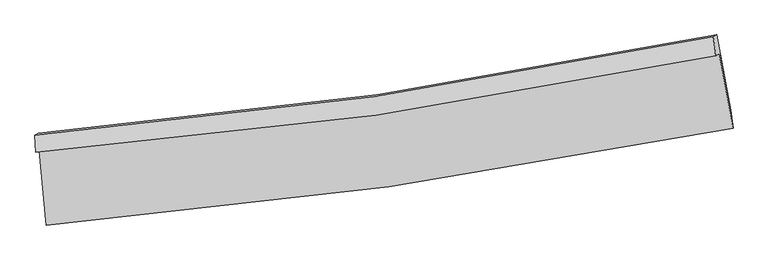
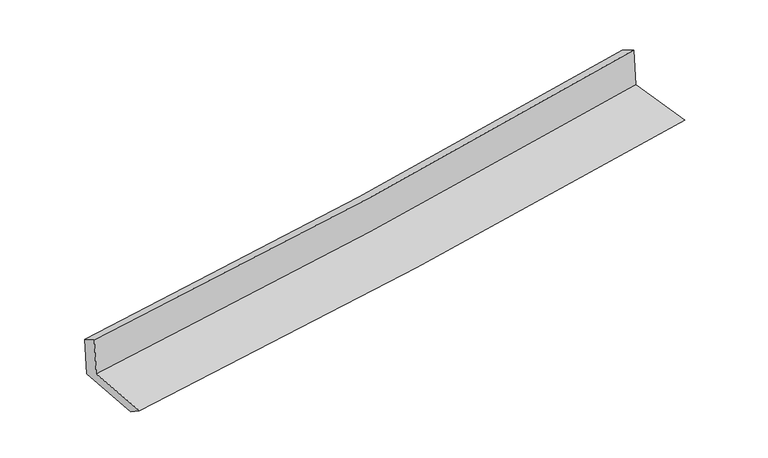
"""IFC4 building model written with IfcOpenShell, lengths in millimetres: proxy geometry."""

from ifc_helpers import new_model, si_unit, frame, origin, place, context, project, spatial, source, transform, mapped, element, save
from ifc_brep_helpers import plane_surface, spline_curve, spline_surface, advanced_brep


def generic_models_83be1019(model_context):
    return source(origin(), model_context, "Body", "AdvancedBrep", [
        advanced_brep(
        [(-3023.9532613, -1901.680936, 1625.7392357), (-2962.2346025, -2559.8104539, 1604.6475111), (3106.3284437, -1704.2024435, 2106.4937008), (2984.7858695, -1046.8653369, 2133.0251341), (-3054.0980257, -1918.6473165, 2016.4457243), (2954.2722144, -1064.0393402, 2528.5128181), (-3061.0387055, -1766.4015185, 1930.8748238), (2932.2085146, -897.1893196, 2431.9117552), (-3030.6777931, -1749.3134834, 1537.3668397), (2961.9906065, -880.427062, 2045.905866), (-2967.2541478, -2417.189642, 1506.2115682), (3085.5965263, -1545.4544609, 2011.5212466)],
        [
            (0, 1),
            (1, 2, spline_curve(3, [(-2962.2346025, -2559.8104539, 1604.6475111), (-1949.861663632, -2476.577234437, 1710.252188302), (-940.309303637, -2364.129850654, 1804.7319834), (1082.598212, -2079.477856155, 1972.223746493), (2095.900200816, -1906.722569429, 2045.026014442), (3106.3284437, -1704.2024435, 2106.4937008)], [4, 2, 4], [0.0, 9.997456366082076, 20.08869690928052])),
            (2, 3),
            (3, 0, spline_curve(3, [(2984.7858695, -1046.8653369, 2133.0251341), (1985.286487217, -1246.85172018, 2067.481274449), (982.455400874, -1418.279397118, 1992.192883125), (-1020.519282035, -1702.68956924, 1822.917301334), (-2020.601239591, -1816.200424978, 1729.110393172), (-3023.9532613, -1901.680936, 1625.7392357)], [4, 2, 4], [0.0, 10.091240543198445, 20.08869690928052])),
            (4, 0),
            (3, 5),
            (5, 4, spline_curve(3, [(2954.2722144, -1064.0393402, 2528.5128181), (1955.924622632, -1273.01248224, 2463.589565521), (953.697771532, -1448.895097629, 2388.207867401), (-1049.164078056, -1733.152219246, 2217.325345864), (-2049.727307322, -1842.138929373, 2122.018012836), (-3054.0980257, -1918.6473165, 2016.4457243)], [4, 2, 4], [0.0, 10.042500745941853, 19.991670284029038])),
            (6, 4),
            (5, 7),
            (7, 6, spline_curve(3, [(2932.2085146, -897.1893196, 2431.9117552), (1936.06086615, -1104.992387683, 2372.36627959), (936.200897578, -1281.521105328, 2300.5886994), (-1061.616856685, -1570.679902451, 2133.350084071), (-2059.505961875, -1683.888584004, 2038.115353762), (-3061.0387055, -1766.4015185, 1930.8748238)], [4, 2, 4], [0.0, 10.031693847233765, 19.970156921846588])),
            (8, 6),
            (7, 9),
            (9, 8, spline_curve(3, [(2961.9906065, -880.427062, 2045.905866), (1967.412091324, -1087.346974547, 1966.022841299), (968.381713371, -1263.408774113, 1883.492933906), (-1029.256782945, -1552.466678883, 1713.930955796), (-2027.782538486, -1666.03368671, 1626.947854025), (-3030.6777931, -1749.3134834, 1537.3668397)], [4, 2, 4], [0.0, 10.019699859743676, 19.94628041445479])),
            (10, 8),
            (9, 11),
            (11, 10, spline_curve(3, [(3085.5965263, -1545.4544609, 2011.5212466), (2078.083861716, -1743.316837078, 1939.757567279), (1067.554475198, -1915.110629331, 1861.540010793), (-950.11822838, -2205.206731436, 1692.984049315), (-1957.205732957, -2323.991332887, 1602.765045803), (-2967.2541478, -2417.189642, 1506.2115682)], [4, 2, 4], [0.0, 10.068541889921764, 20.043510555435113])),
            (1, 10),
            (11, 2),
        ],
        [
            spline_surface(3, 3, [[(-3023.9532613, -1901.680936, 1625.7392357), (-2020.601239504, -1816.200425098, 1729.110393133), (-1020.519282099, -1702.689569205, 1822.917301329), (982.455400938, -1418.279397154, 1992.19288313), (1985.286487116, -1246.851720033, 2067.481274414), (2984.7858695, -1046.8653369, 2133.0251341)], [(-3003.380375014, -2121.057441947, 1618.708660833), (-1997.021380838, -2036.326028154, 1722.824324828), (-993.78262258, -1923.169663015, 1816.855528709), (1015.836337952, -1638.678883448, 1985.536504205), (2022.157724979, -1466.808669882, 2059.996187728), (3025.300060894, -1265.977705775, 2124.181323006)], [(-2982.807488786, -2340.433947953, 1611.678085967), (-1973.44152223, -2256.45163127, 1716.538256525), (-967.045963099, -2143.649756893, 1810.793756123), (1049.217274929, -1859.07836981, 1978.880125314), (2059.02896286, -1686.765619707, 2052.511101025), (3065.814252306, -1485.090074625, 2115.337511894)], [(-2962.2346025, -2559.8104539, 1604.6475111), (-1949.861663564, -2476.577234326, 1710.252188219), (-940.30930358, -2364.129850704, 1804.731983503), (1082.598211942, -2079.477856105, 1972.223746389), (2095.900200723, -1906.722569557, 2045.026014339), (3106.3284437, -1704.2024435, 2106.4937008)]], [4, 4], [4, 2, 4], [0.0, 2.190693607509741], [0.0, 9.997456366082076, 20.08869690928052]),
            spline_surface(3, 3, [[(-3054.0980257, -1918.6473165, 2016.4457243), (-2049.727307243, -1842.138929371, 2122.018012686), (-1049.164078114, -1733.152219341, 2217.32534581), (953.69777159, -1448.895097533, 2388.207867455), (1955.924622509, -1273.012482138, 2463.589565589), (2954.2722144, -1064.0393402, 2528.5128181)], [(-3044.049770923, -1912.991856335, 1886.210228109), (-2040.018618019, -1833.492761281, 1991.048806177), (-1039.615812786, -1722.998002646, 2085.855997656), (963.283648029, -1438.68986409, 2256.202872686), (1965.711910705, -1264.2922281, 2331.553468529), (2964.443432761, -1058.31467243, 2396.683590098)], [(-3034.001516077, -1907.336396165, 1755.974731891), (-2030.309928728, -1824.846593187, 1860.079599642), (-1030.067547427, -1712.8437859, 1954.386649483), (972.869524499, -1428.484630596, 2124.197877899), (1975.49919892, -1255.571974072, 2199.517371475), (2974.614651139, -1052.59000467, 2264.854362102)], [(-3023.9532613, -1901.680936, 1625.7392357), (-2020.601239504, -1816.200425098, 1729.110393133), (-1020.519282099, -1702.689569205, 1822.917301329), (982.455400938, -1418.279397154, 1992.19288313), (1985.286487116, -1246.851720033, 2067.481274414), (2984.7858695, -1046.8653369, 2133.0251341)]], [4, 4], [4, 2, 4], [0.0, 1.3039202485088106], [0.0, 9.949169538087185, 19.991670284029038]),
            spline_surface(3, 3, [[(-3061.0387055, -1766.4015185, 1930.8748238), (-2059.505961875, -1683.888584003, 2038.115353916), (-1061.616856805, -1570.679902323, 2133.35008419), (936.200897699, -1281.521105458, 2300.588699281), (1936.060866033, -1104.992387519, 2372.366279447), (2932.2085146, -897.1893196, 2431.9117552)], [(-3058.725145572, -1817.150117842, 1959.398457301), (-2056.246410336, -1736.638699134, 2066.08290684), (-1057.46593056, -1624.837341312, 2161.341838072), (942.033189011, -1337.312436133, 2329.795088681), (1942.682118198, -1160.999085736, 2402.774041486), (2939.563081206, -952.805993144, 2464.112109492)], [(-3056.411585628, -1867.898717158, 1987.922090799), (-2052.986858782, -1789.38881424, 2094.050459762), (-1053.315004359, -1678.994780352, 2189.333591928), (947.865480278, -1393.103766858, 2359.001478055), (1949.303370345, -1217.005783921, 2433.18180355), (2946.917647794, -1008.422666656, 2496.312463808)], [(-3054.0980257, -1918.6473165, 2016.4457243), (-2049.727307243, -1842.138929371, 2122.018012686), (-1049.164078114, -1733.152219341, 2217.32534581), (953.69777159, -1448.895097533, 2388.207867455), (1955.924622509, -1273.012482138, 2463.589565589), (2954.2722144, -1064.0393402, 2528.5128181)]], [4, 4], [4, 2, 4], [0.0, 0.6119994067108001], [0.0, 9.938463074612823, 19.970156921846588]),
            spline_surface(3, 3, [[(-3030.6777931, -1749.3134834, 1537.3668397), (-2027.782538342, -1666.033686636, 1626.947854077), (-1029.25678307, -1552.466679049, 1713.93095566), (968.381713498, -1263.408773946, 1883.492934043), (1967.412091386, -1087.346974393, 1966.022841266), (2961.9906065, -880.427062, 2045.905866)], [(-3040.798097206, -1755.009495095, 1668.536167713), (-2038.357012826, -1671.985319087, 1764.003687337), (-1040.04347432, -1558.537753482, 1853.737331821), (957.654774893, -1269.446217792, 2022.524855773), (1956.961682924, -1093.228778754, 2101.470654006), (2952.063242522, -886.014481185, 2174.574495746)], [(-3050.918401394, -1760.705506805, 1799.705495787), (-2048.931487391, -1677.936951552, 1901.059520656), (-1050.830165555, -1564.608827889, 1993.543708029), (946.927836304, -1275.483661612, 2161.55677755), (1946.511274496, -1099.110583158, 2236.918466708), (2942.135878578, -891.601900415, 2303.243125454)], [(-3061.0387055, -1766.4015185, 1930.8748238), (-2059.505961875, -1683.888584003, 2038.115353916), (-1061.616856805, -1570.679902323, 2133.35008419), (936.200897699, -1281.521105458, 2300.588699281), (1936.060866033, -1104.992387519, 2372.366279447), (2932.2085146, -897.1893196, 2431.9117552)]], [4, 4], [4, 2, 4], [0.0, 1.3775656096240156], [0.0, 9.926580554711114, 19.94628041445479]),
            spline_surface(3, 3, [[(-2967.2541478, -2417.189642, 1506.2115682), (-1957.205732885, -2323.991332869, 1602.765045899), (-950.118228273, -2205.206731453, 1692.984049155), (1067.55447509, -1915.110629314, 1861.540010955), (2078.083861842, -1743.316837022, 1939.75756721), (3085.5965263, -1545.4544609, 2011.5212466)], [(-2988.395362919, -2194.56425582, 1516.596658698), (-1980.731334723, -2104.672117478, 1610.825981956), (-976.497746554, -1987.626713974, 1699.966351325), (1034.496887878, -1697.876677514, 1868.857651986), (2041.19327169, -1524.660216165, 1948.512658564), (3044.394553033, -1323.778661286, 2022.982786402)], [(-3009.536577981, -1971.93886958, 1526.981749202), (-2004.256936504, -1885.352902027, 1618.886918019), (-1002.87726479, -1770.046696527, 1706.94865349), (1001.43930071, -1480.642725745, 1876.175293012), (2004.302681538, -1306.00359525, 1957.267749912), (3003.192579767, -1102.102861614, 2034.444326198)], [(-3030.6777931, -1749.3134834, 1537.3668397), (-2027.782538342, -1666.033686636, 1626.947854077), (-1029.25678307, -1552.466679049, 1713.93095566), (968.381713498, -1263.408773946, 1883.492934043), (1967.412091386, -1087.346974393, 1966.022841266), (2961.9906065, -880.427062, 2045.905866)]], [4, 4], [4, 2, 4], [0.0, 2.1609057145780772], [0.0, 9.974968665513348, 20.043510555435113]),
            spline_surface(3, 3, [[(-2962.2346025, -2559.8104539, 1604.6475111), (-1949.861663564, -2476.577234326, 1710.252188219), (-940.30930358, -2364.129850704, 1804.731983503), (1082.598211942, -2079.477856105, 1972.223746389), (2095.900200723, -1906.722569557, 2045.026014339), (3106.3284437, -1704.2024435, 2106.4937008)], [(-2963.907784267, -2512.270183261, 1571.835530146), (-1952.309686671, -2425.715267167, 1674.423140792), (-943.578945142, -2311.155477644, 1767.482672063), (1077.583632994, -2024.688780532, 1935.32916792), (2089.961421113, -1852.253992025, 2009.936531953), (3099.417804584, -1651.28644928, 2074.836216057)], [(-2965.580966033, -2464.729912639, 1539.023549154), (-1954.757709778, -2374.853300027, 1638.594093326), (-946.848586711, -2258.181104512, 1730.233360595), (1072.569054038, -1969.899704887, 1898.434589423), (2084.022641452, -1797.785414554, 1974.847049596), (3092.507165416, -1598.37045512, 2043.178731343)], [(-2967.2541478, -2417.189642, 1506.2115682), (-1957.205732885, -2323.991332869, 1602.765045899), (-950.118228273, -2205.206731453, 1692.984049155), (1067.55447509, -1915.110629314, 1861.540010955), (2078.083861842, -1743.316837022, 1939.75756721), (3085.5965263, -1545.4544609, 2011.5212466)]], [4, 4], [4, 2, 4], [0.0, 0.6450844625764612], [0.0, 10.03419996834468, 20.162528798331106]),
            plane_surface(frame((3004.1970292, -1189.6963272, 2209.5617535), z_axis=(0.9805043091309015, 0.17793139325387047, 0.08337696966471297), x_axis=(-0.07685387841373333, -0.04325567549104206, 0.9961036230787341))),
            plane_surface(frame((-3016.542756, -2052.1738917, 1703.5476171), z_axis=(-0.9926355839418216, -0.09050787341537894, -0.08051659668853736), x_axis=(-0.0933217323907095, 0.9951251028373801, 0.031891753894863074))),
        ],
        [
            (0, [[1, 2, 3, 4]]),
            (1, [[5, -4, 6, 7]]),
            (2, [[8, -7, 9, 10]]),
            (3, [[11, -10, 12, 13]]),
            (4, [[14, -13, 15, 16]]),
            (5, [[17, -16, 18, -2]]),
            (6, [[-12, -9, -6, -3, -18, -15]]),
            (7, [[-1, -5, -8, -11, -14, -17]]),
        ],
    ),
    ])


if __name__ == "__main__":
    model = new_model("IFC4")
    model_context = context("Model", 3, world=origin())
    ifc_project = project(units=[si_unit("LENGTHUNIT", "METRE", prefix="MILLI")], contexts=[model_context])
    site = spatial("IfcSite", under=ifc_project)
    building = spatial("IfcBuilding", under=site)
    placement = place(None, origin())
    generic_models_shape = generic_models_83be1019(model_context)
    element("IfcBuildingElementProxy", 1, Name="Generic Models", at=placement, inside=building, context=model_context, shape_type="MappedRepresentation", body=[
        mapped(generic_models_shape, transform((0.0, 0.0, 0.0), x_axis=(1.0, 0.0, 0.0), y_axis=(0.0, 1.0, 0.0), z_axis=(0.0, 0.0, 1.0))),
    ])
    save(model, "model.ifc")
